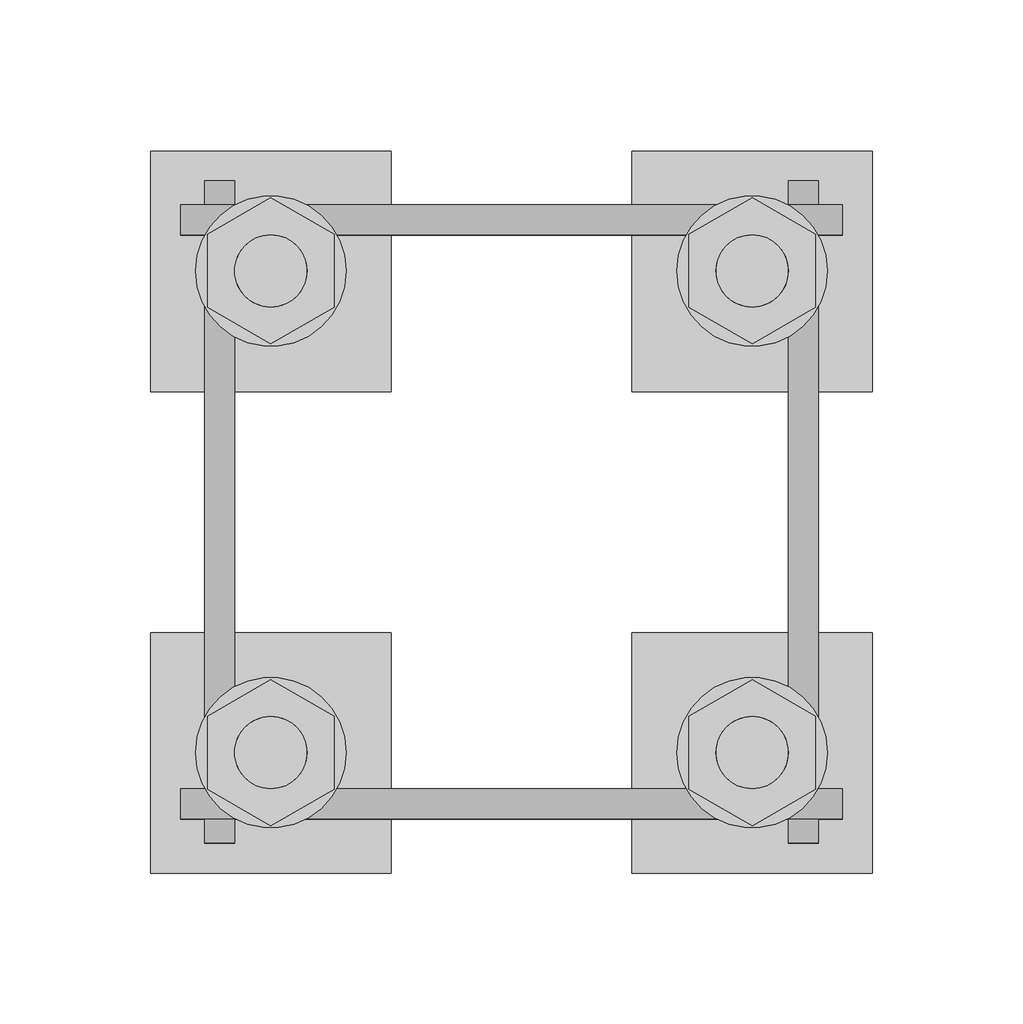
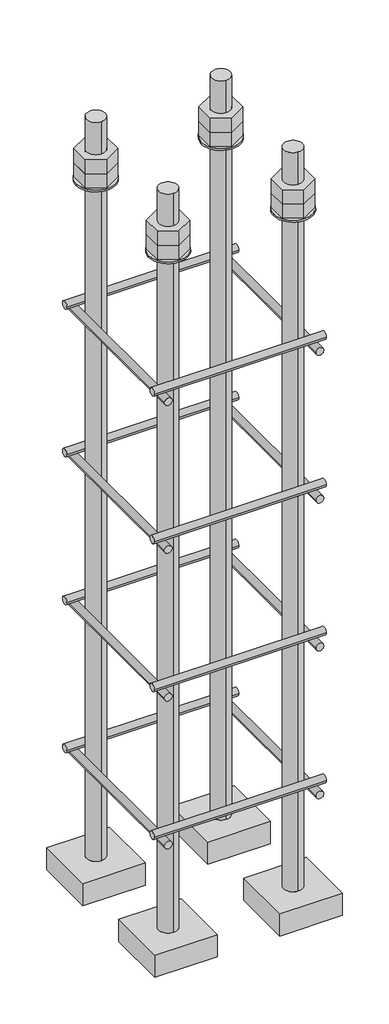
# One storey, part 21 of 66: 1 fastener.
"""IFC4 building model written with IfcOpenShell, lengths in millimetres."""

import ifcopenshell
import ifcopenshell.guid

model = None  # the IFC model being written
_history = None  # IfcOwnerHistory: only IFC2X3 demands one
_inside = {}  # id of a spatial element -> (the spatial element, [elements in it])
_under = {}  # id of a project, library or spatial element -> (it, [spatial elements below it])
_declared = {}  # id of a project -> (the project, [libraries it declares])
_typed = {}  # id of a type object -> (the type object, [elements of that type])
_made_of = {}  # id of a material, layer set ... -> (it, [elements and type objects made of it])


def new_model(schema):
    """Start an empty IFC model of exactly this schema.

    Asked for "IFC4X3", IfcOpenShell would pick the latest addendum, in which some entities
    have other attributes; the version numbers below select the first issue.
    IFC2X3 requires an IfcOwnerHistory on every rooted entity: one is made here for all.
    """
    global model, _history
    if schema == "IFC4X3":
        model = ifcopenshell.file(schema_version=(4, 3, 0, 0))
    else:
        model = ifcopenshell.file(schema=schema)
    _inside.clear()
    _under.clear()
    _declared.clear()
    _typed.clear()
    _made_of.clear()
    _history = None
    if model.schema == "IFC2X3":
        org = make("IfcOrganization", Name="unknown")
        user = make(
            "IfcPersonAndOrganization",
            ThePerson=make("IfcPerson", FamilyName="unknown"),
            TheOrganization=org,
        )
        app = make(
            "IfcApplication",
            ApplicationDeveloper=org,
            Version="unknown",
            ApplicationFullName="unknown",
            ApplicationIdentifier="unknown",
        )
        _history = make(
            "IfcOwnerHistory",
            OwningUser=user,
            OwningApplication=app,
            ChangeAction="ADDED",
            CreationDate=0,
        )
    return model


def make(cls, **values):
    """One entity of the class cls with the attributes given. An attribute that is None is left unset."""
    return model.create_entity(
        cls, **{name: value for name, value in values.items() if value is not None}
    )


def rooted(cls, **values):
    """An entity with a GlobalId (a new one), such as an element, a storey or a relation."""
    return make(cls, GlobalId=ifcopenshell.guid.new(), OwnerHistory=_history, **values)


def si_unit(unit_type, name, prefix=None):
    """IfcSIUnit, for example si_unit("LENGTHUNIT", "METRE", prefix="MILLI")."""
    return make("IfcSIUnit", UnitType=unit_type, Prefix=prefix, Name=name)


def assignment(units):
    """IfcUnitAssignment: the units of a project."""
    return None if units is None else make("IfcUnitAssignment", Units=units)


def point(xyz):
    """IfcCartesianPoint."""
    return None if xyz is None else make("IfcCartesianPoint", Coordinates=xyz)


def direction(xyz):
    """IfcDirection."""
    return None if xyz is None else make("IfcDirection", DirectionRatios=xyz)


def frame(location, z_axis=None, x_axis=None):
    """IfcAxis2Placement3D, a coordinate frame: its origin and axes. An axis left out is left unset."""
    return make(
        "IfcAxis2Placement3D",
        Location=point(location),
        Axis=direction(z_axis),
        RefDirection=direction(x_axis),
    )


def frame_2d(location, x_axis=None):
    """IfcAxis2Placement2D, a coordinate frame in the plane: its origin and x axis."""
    return make(
        "IfcAxis2Placement2D", Location=point(location), RefDirection=direction(x_axis)
    )


def origin():
    """The frame at (0, 0, 0) with its axes left unset."""
    return frame((0.0, 0.0, 0.0))


def place(relative_to, where):
    """IfcLocalPlacement: puts the frame where relative to a parent placement (None: the world)."""
    return make(
        "IfcLocalPlacement", PlacementRelTo=relative_to, RelativePlacement=where
    )


def context(
    kind, dimensions, precision=None, world=None, true_north=None, identifier=None
):
    """IfcGeometricRepresentationContext, for example the 3D "Model" context."""
    return make(
        "IfcGeometricRepresentationContext",
        ContextIdentifier=identifier,
        ContextType=kind,
        CoordinateSpaceDimension=dimensions,
        Precision=precision,
        WorldCoordinateSystem=world,
        TrueNorth=true_north,
    )


def project(units=None, contexts=None):
    """IfcProject with its units and contexts."""
    return rooted(
        "IfcProject",
        Name="project",
        RepresentationContexts=contexts,
        UnitsInContext=assignment(units),
    )


def spatial(cls, under=None, at=None, **own):
    """A site, building, storey or space (cls), placed at a placement, below another one or the project."""
    s = rooted(cls, ObjectPlacement=at, **own)
    if under is not None:
        _under.setdefault(under.id(), (under, []))[1].append(s)
    return s


def polyline(points):
    """IfcPolyline through the points."""
    return make("IfcPolyline", Points=[point(p) for p in points])


def circle_curve(where, radius):
    """IfcCircle in the frame where."""
    return make("IfcCircle", Position=where, Radius=radius)


def trimmed(basis, trim1, trim2, sense, master):
    """IfcTrimmedCurve: the piece of a basis curve between two trims."""
    return make(
        "IfcTrimmedCurve",
        BasisCurve=basis,
        Trim1=trim1,
        Trim2=trim2,
        SenseAgreement=sense,
        MasterRepresentation=master,
    )


def segment(curve, same_sense, transition):
    """IfcCompositeCurveSegment."""
    return make(
        "IfcCompositeCurveSegment",
        Transition=transition,
        SameSense=same_sense,
        ParentCurve=curve,
    )


def composite_curve(segments, self_intersect=None):
    """IfcCompositeCurve: segments joined end to end."""
    return make("IfcCompositeCurve", Segments=segments, SelfIntersect=self_intersect)


def outline(outer, holes=None, kind="AREA"):
    """IfcArbitraryClosedProfileDef: a profile drawn as a closed curve; with holes, ...WithVoids."""
    if holes is None:
        return make("IfcArbitraryClosedProfileDef", ProfileType=kind, OuterCurve=outer)
    return make(
        "IfcArbitraryProfileDefWithVoids",
        ProfileType=kind,
        OuterCurve=outer,
        InnerCurves=holes,
    )


def extrude(swept, where, along, depth):
    """IfcExtrudedAreaSolid: the profile swept, set in the frame where, extruded along a direction by depth."""
    return make(
        "IfcExtrudedAreaSolid",
        SweptArea=swept,
        Position=where,
        ExtrudedDirection=direction(along),
        Depth=depth,
    )


def shape(context_of_items, identifier, shape_type, items):
    """IfcShapeRepresentation: the items that make up one representation, for example the "Body"."""
    return make(
        "IfcShapeRepresentation",
        ContextOfItems=context_of_items,
        RepresentationIdentifier=identifier,
        RepresentationType=shape_type,
        Items=items,
    )


def made_of(thing, what):
    """Note that an element or type object is made of a material, layer set ...; save() writes the relation."""
    if what is not None:
        _made_of.setdefault(what.id(), (what, []))[1].append(thing)
    return thing


def element(
    cls,
    number,
    at=None,
    inside=None,
    cuts=None,
    type_object=None,
    material=None,
    context=None,
    identifier="Body",
    shape_type=None,
    held_by="IfcProductDefinitionShape",
    body=None,
    shapes=None,
    **own,
):
    """One element of the class cls, such as IfcWall. Its Tag is "e" and its number.

    at: its placement. inside: the storey or other place that contains it. cuts: it is an
    opening in that element (IfcRelVoidsElement). A single representation is given by context,
    identifier, shape_type and body (its items); several are given by shapes. held_by: the class
    of the entity that holds the representations. save() writes the other relations.
    """
    e = rooted(cls, Tag="e%d" % number, ObjectPlacement=at, **own)
    if body is not None:
        shapes = [shape(context, identifier, shape_type, body)]
    if shapes is not None:
        e.Representation = make(held_by, Representations=shapes)
    if inside is not None:
        _inside.setdefault(inside.id(), (inside, []))[1].append(e)
    if cuts is not None:
        rooted(
            "IfcRelVoidsElement", RelatingBuildingElement=cuts, RelatedOpeningElement=e
        )
    if type_object is not None:
        _typed.setdefault(type_object.id(), (type_object, []))[1].append(e)
    return made_of(e, material)


def aggregate(whole, parts):
    """IfcRelAggregates: a whole, such as a stair, and the parts it consists of."""
    return rooted("IfcRelAggregates", RelatingObject=whole, RelatedObjects=parts)


def save(model, path):
    """Write the relations noted so far, then the file.

    IfcRelAggregates (storeys below a building ...), IfcRelContainedInSpatialStructure (elements
    in a storey), IfcRelDefinesByType, IfcRelAssociatesMaterial and IfcRelDeclares: one each for
    every whole, place, type object, material and project.
    """
    for whole, parts in _under.values():
        aggregate(whole, parts)
    for where, things in _inside.values():
        rooted(
            "IfcRelContainedInSpatialStructure",
            RelatedElements=things,
            RelatingStructure=where,
        )
    for kind, things in _typed.values():
        rooted("IfcRelDefinesByType", RelatedObjects=things, RelatingType=kind)
    for what, things in _made_of.values():
        rooted("IfcRelAssociatesMaterial", RelatedObjects=things, RelatingMaterial=what)
    for by, libraries in _declared.values():
        rooted("IfcRelDeclares", RelatingContext=by, RelatedDefinitions=libraries)
    model.write(path)


def plane_surface(at):
    """IfcPlane: the flat surface through the origin of the frame at, square to its z axis."""
    return make("IfcPlane", Position=at)


def cylinder_surface(at, radius):
    """IfcCylindricalSurface: all points at the distance radius from the z axis of the frame at."""
    return make("IfcCylindricalSurface", Position=at, Radius=radius)


def advanced_brep(points, edges, surfaces, faces):
    """IfcAdvancedBrep: a solid bounded by faces that lie on surfaces and meet in shared edges.

    An edge is (start, end): straight between two places in points (the first is 0);
    or (start, end, curve); or (start, end, curve, False) where it runs against its curve.
    A face is (place in surfaces, loops), or (place, loops, False) where it looks against
    its surface's normal. A loop lists edges by number (the first is 1), with a minus sign
    where the edge is run from its end to its start. The first loop is the outer one.
    """
    corners = [point(p) for p in points]
    vertices = [make("IfcVertexPoint", VertexGeometry=c) for c in corners]
    made = []
    for start, end, *more in edges:
        made.append(
            make(
                "IfcEdgeCurve",
                EdgeStart=vertices[start],
                EdgeEnd=vertices[end],
                EdgeGeometry=more[0] if more else make("IfcPolyline", Points=[corners[start], corners[end]]),
                SameSense=more[1] if len(more) > 1 else True,
            )
        )
    hull = []
    for where, loops, *sense in faces:
        bounds = []
        for j, loop in enumerate(loops):
            ring = [make("IfcOrientedEdge", EdgeElement=made[abs(k) - 1], Orientation=k > 0) for k in loop]
            bounds.append(
                make(
                    "IfcFaceOuterBound" if j == 0 else "IfcFaceBound",
                    Bound=make("IfcEdgeLoop", EdgeList=ring),
                    Orientation=True,
                )
            )
        hull.append(make("IfcAdvancedFace", Bounds=bounds, FaceSurface=surfaces[where], SameSense=sense[0] if sense else True))
    return make("IfcAdvancedBrep", Outer=make("IfcClosedShell", CfsFaces=hull))


model = new_model("IFC4")

# Units and contexts
model_context = context("Model", 3, world=origin())
ifc_project = project(units=[si_unit("LENGTHUNIT", "METRE", prefix="MILLI")], contexts=[model_context])

# Site, building, storey
site = spatial("IfcSite", under=ifc_project)
building = spatial("IfcBuilding", under=site)
storey = spatial("IfcBuildingStorey", under=building, Elevation=9070.0)

# Fastener
placement = place(None, origin())
element("IfcFastener", 1, ObjectType="AU1 : AU-01", at=placement, inside=storey, context=model_context, shape_type="SolidModel", body=[
    extrude(outline(composite_curve([segment(trimmed(circle_curve(frame_2d((14703.0, 8395.0)), 5.0), [point((14698.0, 8395.0))], [point((14708.0, 8395.0))], False, "CARTESIAN"), True, "CONTINUOUS"), segment(trimmed(circle_curve(frame_2d((14703.0, 8395.0)), 5.0), [point((14708.0, 8395.0))], [point((14698.0, 8395.0))], False, "CARTESIAN"), True, "CONTINUOUS")], self_intersect=False)), frame((45890.0, 0.0, 0.0), z_axis=(1.0, 0.0, 0.0), x_axis=(0.0, 1.0, 0.0)), (0.0, 0.0, 1.0), 220.0),
    extrude(outline(composite_curve([segment(trimmed(circle_curve(frame_2d((14897.0, 8395.0)), 5.0), [point((14902.0, 8395.0))], [point((14892.0, 8395.0))], False, "CARTESIAN"), True, "CONTINUOUS"), segment(trimmed(circle_curve(frame_2d((14897.0, 8395.0)), 5.0), [point((14892.0, 8395.0))], [point((14902.0, 8395.0))], False, "CARTESIAN"), True, "CONTINUOUS")], self_intersect=False)), frame((45890.0, 0.0, 0.0), z_axis=(1.0, 0.0, 0.0), x_axis=(0.0, 1.0, 0.0)), (0.0, 0.0, 1.0), 220.0),
    extrude(outline(composite_curve([segment(trimmed(circle_curve(frame_2d((8385.0, 45903.0)), 5.0), [point((8385.0, 45898.0))], [point((8385.0, 45908.0))], False, "CARTESIAN"), True, "CONTINUOUS"), segment(trimmed(circle_curve(frame_2d((8385.0, 45903.0)), 5.0), [point((8385.0, 45908.0))], [point((8385.0, 45898.0))], False, "CARTESIAN"), True, "CONTINUOUS")], self_intersect=False)), frame((0.0, 14690.0, 0.0), z_axis=(0.0, 1.0, 0.0), x_axis=(0.0, 0.0, 1.0)), (0.0, 0.0, 1.0), 220.0),
    extrude(outline(composite_curve([segment(trimmed(circle_curve(frame_2d((8385.0, 46097.0)), 5.0), [point((8385.0, 46102.0))], [point((8385.0, 46092.0))], False, "CARTESIAN"), True, "CONTINUOUS"), segment(trimmed(circle_curve(frame_2d((8385.0, 46097.0)), 5.0), [point((8385.0, 46092.0))], [point((8385.0, 46102.0))], False, "CARTESIAN"), True, "CONTINUOUS")], self_intersect=False)), frame((0.0, 14690.0, 0.0), z_axis=(0.0, 1.0, 0.0), x_axis=(0.0, 0.0, 1.0)), (0.0, 0.0, 1.0), 220.0),
    extrude(outline(composite_curve([segment(trimmed(circle_curve(frame_2d((14703.0, 8595.0)), 5.0), [point((14698.0, 8595.0))], [point((14708.0, 8595.0))], False, "CARTESIAN"), True, "CONTINUOUS"), segment(trimmed(circle_curve(frame_2d((14703.0, 8595.0)), 5.0), [point((14708.0, 8595.0))], [point((14698.0, 8595.0))], False, "CARTESIAN"), True, "CONTINUOUS")], self_intersect=False)), frame((45890.0, 0.0, 0.0), z_axis=(1.0, 0.0, 0.0), x_axis=(0.0, 1.0, 0.0)), (0.0, 0.0, 1.0), 220.0),
    extrude(outline(composite_curve([segment(trimmed(circle_curve(frame_2d((14897.0, 8595.0)), 5.0), [point((14902.0, 8595.0))], [point((14892.0, 8595.0))], False, "CARTESIAN"), True, "CONTINUOUS"), segment(trimmed(circle_curve(frame_2d((14897.0, 8595.0)), 5.0), [point((14892.0, 8595.0))], [point((14902.0, 8595.0))], False, "CARTESIAN"), True, "CONTINUOUS")], self_intersect=False)), frame((45890.0, 0.0, 0.0), z_axis=(1.0, 0.0, 0.0), x_axis=(0.0, 1.0, 0.0)), (0.0, 0.0, 1.0), 220.0),
    extrude(outline(composite_curve([segment(trimmed(circle_curve(frame_2d((8585.0, 45903.0)), 5.0), [point((8585.0, 45898.0))], [point((8585.0, 45908.0))], False, "CARTESIAN"), True, "CONTINUOUS"), segment(trimmed(circle_curve(frame_2d((8585.0, 45903.0)), 5.0), [point((8585.0, 45908.0))], [point((8585.0, 45898.0))], False, "CARTESIAN"), True, "CONTINUOUS")], self_intersect=False)), frame((0.0, 14690.0, 0.0), z_axis=(0.0, 1.0, 0.0), x_axis=(0.0, 0.0, 1.0)), (0.0, 0.0, 1.0), 220.0),
    extrude(outline(composite_curve([segment(trimmed(circle_curve(frame_2d((8585.0, 46097.0)), 5.0), [point((8585.0, 46102.0))], [point((8585.0, 46092.0))], False, "CARTESIAN"), True, "CONTINUOUS"), segment(trimmed(circle_curve(frame_2d((8585.0, 46097.0)), 5.0), [point((8585.0, 46092.0))], [point((8585.0, 46102.0))], False, "CARTESIAN"), True, "CONTINUOUS")], self_intersect=False)), frame((0.0, 14690.0, 0.0), z_axis=(0.0, 1.0, 0.0), x_axis=(0.0, 0.0, 1.0)), (0.0, 0.0, 1.0), 220.0),
    extrude(outline(composite_curve([segment(trimmed(circle_curve(frame_2d((14703.0, 8795.0)), 5.0), [point((14698.0, 8795.0))], [point((14708.0, 8795.0))], False, "CARTESIAN"), True, "CONTINUOUS"), segment(trimmed(circle_curve(frame_2d((14703.0, 8795.0)), 5.0), [point((14708.0, 8795.0))], [point((14698.0, 8795.0))], False, "CARTESIAN"), True, "CONTINUOUS")], self_intersect=False)), frame((45890.0, 0.0, 0.0), z_axis=(1.0, 0.0, 0.0), x_axis=(0.0, 1.0, 0.0)), (0.0, 0.0, 1.0), 220.0),
    extrude(outline(composite_curve([segment(trimmed(circle_curve(frame_2d((14897.0, 8795.0)), 5.0), [point((14902.0, 8795.0))], [point((14892.0, 8795.0))], False, "CARTESIAN"), True, "CONTINUOUS"), segment(trimmed(circle_curve(frame_2d((14897.0, 8795.0)), 5.0), [point((14892.0, 8795.0))], [point((14902.0, 8795.0))], False, "CARTESIAN"), True, "CONTINUOUS")], self_intersect=False)), frame((45890.0, 0.0, 0.0), z_axis=(1.0, 0.0, 0.0), x_axis=(0.0, 1.0, 0.0)), (0.0, 0.0, 1.0), 220.0),
    extrude(outline(composite_curve([segment(trimmed(circle_curve(frame_2d((8785.0, 45903.0)), 5.0), [point((8785.0, 45898.0))], [point((8785.0, 45908.0))], False, "CARTESIAN"), True, "CONTINUOUS"), segment(trimmed(circle_curve(frame_2d((8785.0, 45903.0)), 5.0), [point((8785.0, 45908.0))], [point((8785.0, 45898.0))], False, "CARTESIAN"), True, "CONTINUOUS")], self_intersect=False)), frame((0.0, 14690.0, 0.0), z_axis=(0.0, 1.0, 0.0), x_axis=(0.0, 0.0, 1.0)), (0.0, 0.0, 1.0), 220.0),
    extrude(outline(composite_curve([segment(trimmed(circle_curve(frame_2d((8785.0, 46097.0)), 5.0), [point((8785.0, 46102.0))], [point((8785.0, 46092.0))], False, "CARTESIAN"), True, "CONTINUOUS"), segment(trimmed(circle_curve(frame_2d((8785.0, 46097.0)), 5.0), [point((8785.0, 46092.0))], [point((8785.0, 46102.0))], False, "CARTESIAN"), True, "CONTINUOUS")], self_intersect=False)), frame((0.0, 14690.0, 0.0), z_axis=(0.0, 1.0, 0.0), x_axis=(0.0, 0.0, 1.0)), (0.0, 0.0, 1.0), 220.0),
    extrude(outline(composite_curve([segment(trimmed(circle_curve(frame_2d((14703.0, 8995.0)), 5.0), [point((14698.0, 8995.0))], [point((14708.0, 8995.0))], False, "CARTESIAN"), True, "CONTINUOUS"), segment(trimmed(circle_curve(frame_2d((14703.0, 8995.0)), 5.0), [point((14708.0, 8995.0))], [point((14698.0, 8995.0))], False, "CARTESIAN"), True, "CONTINUOUS")], self_intersect=False)), frame((45890.0, 0.0, 0.0), z_axis=(1.0, 0.0, 0.0), x_axis=(0.0, 1.0, 0.0)), (0.0, 0.0, 1.0), 220.0),
    extrude(outline(composite_curve([segment(trimmed(circle_curve(frame_2d((14897.0, 8995.0)), 5.0), [point((14902.0, 8995.0))], [point((14892.0, 8995.0))], False, "CARTESIAN"), True, "CONTINUOUS"), segment(trimmed(circle_curve(frame_2d((14897.0, 8995.0)), 5.0), [point((14892.0, 8995.0))], [point((14902.0, 8995.0))], False, "CARTESIAN"), True, "CONTINUOUS")], self_intersect=False)), frame((45890.0, 0.0, 0.0), z_axis=(1.0, 0.0, 0.0), x_axis=(0.0, 1.0, 0.0)), (0.0, 0.0, 1.0), 220.0),
    extrude(outline(composite_curve([segment(trimmed(circle_curve(frame_2d((8985.0, 45903.0)), 5.0), [point((8985.0, 45898.0))], [point((8985.0, 45908.0))], False, "CARTESIAN"), True, "CONTINUOUS"), segment(trimmed(circle_curve(frame_2d((8985.0, 45903.0)), 5.0), [point((8985.0, 45908.0))], [point((8985.0, 45898.0))], False, "CARTESIAN"), True, "CONTINUOUS")], self_intersect=False)), frame((0.0, 14690.0, 0.0), z_axis=(0.0, 1.0, 0.0), x_axis=(0.0, 0.0, 1.0)), (0.0, 0.0, 1.0), 220.0),
    extrude(outline(composite_curve([segment(trimmed(circle_curve(frame_2d((8985.0, 46097.0)), 5.0), [point((8985.0, 46102.0))], [point((8985.0, 46092.0))], False, "CARTESIAN"), True, "CONTINUOUS"), segment(trimmed(circle_curve(frame_2d((8985.0, 46097.0)), 5.0), [point((8985.0, 46092.0))], [point((8985.0, 46102.0))], False, "CARTESIAN"), True, "CONTINUOUS")], self_intersect=False)), frame((0.0, 14690.0, 0.0), z_axis=(0.0, 1.0, 0.0), x_axis=(0.0, 0.0, 1.0)), (0.0, 0.0, 1.0), 220.0),
    advanced_brep(
    [(45960.0, 14920.0, 8250.0), (45880.0, 14920.0, 8250.0), (45880.0, 14840.0, 8250.0), (45960.0, 14840.0, 8250.0), (45920.0, 14868.0, 8250.0), (45920.0, 14892.0, 8250.0), (45960.0, 14920.0, 8220.0), (45960.0, 14840.0, 8220.0), (45880.0, 14840.0, 8220.0), (45880.0, 14920.0, 8220.0), (45920.0, 14892.0, 9250.0), (45920.0, 14868.0, 9250.0)],
    [
        (0, 1),
        (1, 2),
        (2, 3),
        (3, 0),
        (4, 5, circle_curve(frame((45920.0, 14880.0, 8250.0), z_axis=(0.0, 0.0, -1.0), x_axis=(0.0, -1.0, 0.0)), 12.0)),
        (5, 4, circle_curve(frame((45920.0, 14880.0, 8250.0), z_axis=(0.0, 0.0, -1.0), x_axis=(0.0, -1.0, 0.0)), 12.0)),
        (6, 7),
        (7, 8),
        (8, 9),
        (9, 6),
        (0, 6),
        (9, 1),
        (8, 2),
        (7, 3),
        (10, 11, circle_curve(frame((45920.0, 14880.0, 9250.0), z_axis=(0.0, 0.0, 1.0), x_axis=(0.0, -1.0, 0.0)), 12.0)),
        (11, 10, circle_curve(frame((45920.0, 14880.0, 9250.0), z_axis=(0.0, 0.0, 1.0), x_axis=(0.0, -1.0, 0.0)), 12.0)),
        (10, 5),
        (4, 11),
    ],
    [
        plane_surface(frame((45880.0, 14920.0, 8250.0), z_axis=(0.0, 0.0, 1.0), x_axis=(-1.0, 0.0, 0.0))),
        plane_surface(frame((45880.0, 14920.0, 8220.0), z_axis=(0.0, 0.0, -1.0), x_axis=(1.0, 0.0, 0.0))),
        plane_surface(frame((45960.0, 14920.0, 8250.0), z_axis=(0.0, 1.0, 0.0), x_axis=(0.0, 0.0, -1.0))),
        plane_surface(frame((45880.0, 14920.0, 8250.0), z_axis=(-1.0, 0.0, 0.0), x_axis=(0.0, 0.0, -1.0))),
        plane_surface(frame((45880.0, 14840.0, 8250.0), z_axis=(0.0, -1.0, 0.0), x_axis=(0.0, 0.0, -1.0))),
        plane_surface(frame((45960.0, 14840.0, 8250.0), z_axis=(1.0, 0.0, 0.0), x_axis=(0.0, 0.0, -1.0))),
        plane_surface(frame((45920.0, 14880.0, 9250.0), z_axis=(0.0, 0.0, 1.0), x_axis=(0.0, -1.0, 0.0))),
        cylinder_surface(frame((45920.0, 14880.0, 9250.0), z_axis=(0.0, 0.0, 1.0), x_axis=(0.0, -1.0, 0.0)), 12.0),
    ],
    [
        (0, [[1, 2, 3, 4], [5, 6]]),
        (1, [[7, 8, 9, 10]]),
        (2, [[-1, 11, -10, 12]]),
        (3, [[-2, -12, -9, 13]]),
        (4, [[-3, -13, -8, 14]]),
        (5, [[-4, -14, -7, -11]]),
        (6, [[15, 16]]),
        (7, [[-15, 17, -5, 18]]),
        (7, [[-16, -18, -6, -17]]),
    ],
),
    extrude(outline(composite_curve([segment(trimmed(circle_curve(frame_2d((45920.0, 14880.0)), 25.0), [point((45945.0, 14880.0))], [point((45895.0, 14880.0))], False, "CARTESIAN"), True, "CONTINUOUS"), segment(trimmed(circle_curve(frame_2d((45920.0, 14880.0)), 25.0), [point((45895.0, 14880.0))], [point((45945.0, 14880.0))], False, "CARTESIAN"), True, "CONTINUOUS")], self_intersect=False), holes=[composite_curve([segment(trimmed(circle_curve(frame_2d((45920.0, 14880.0)), 12.0), [point((45932.0, 14880.0))], [point((45908.0, 14880.0))], True, "CARTESIAN"), True, "CONTINUOUS"), segment(trimmed(circle_curve(frame_2d((45920.0, 14880.0)), 12.0), [point((45908.0, 14880.0))], [point((45932.0, 14880.0))], True, "CARTESIAN"), True, "CONTINUOUS")], self_intersect=False)]), frame((0.0, 0.0, 9165.0), z_axis=(0.0, 0.0, 1.0), x_axis=(1.0, 0.0, 0.0)), (0.0, 0.0, 1.0), 2.5),
    extrude(outline(polyline([(45920.0, 14904.2487113), (45941.0, 14892.1243557), (45941.0, 14867.8756443), (45920.0, 14855.7512887), (45899.0, 14867.8756443), (45899.0, 14892.1243557), (45920.0, 14904.2487113)]), holes=[composite_curve([segment(trimmed(circle_curve(frame_2d((45920.0, 14880.0)), 12.0), [point((45932.0, 14880.0))], [point((45908.0, 14880.0))], True, "CARTESIAN"), True, "CONTINUOUS"), segment(trimmed(circle_curve(frame_2d((45920.0, 14880.0)), 12.0), [point((45908.0, 14880.0))], [point((45932.0, 14880.0))], True, "CARTESIAN"), True, "CONTINUOUS")], self_intersect=False)]), frame((0.0, 0.0, 9187.0), z_axis=(0.0, 0.0, 1.0), x_axis=(1.0, 0.0, 0.0)), (0.0, 0.0, 1.0), 19.5),
    extrude(outline(polyline([(45920.0, 14904.2487113), (45941.0, 14892.1243557), (45941.0, 14867.8756443), (45920.0, 14855.7512887), (45899.0, 14867.8756443), (45899.0, 14892.1243557), (45920.0, 14904.2487113)]), holes=[composite_curve([segment(trimmed(circle_curve(frame_2d((45920.0, 14880.0)), 12.0), [point((45932.0, 14880.0))], [point((45908.0, 14880.0))], True, "CARTESIAN"), True, "CONTINUOUS"), segment(trimmed(circle_curve(frame_2d((45920.0, 14880.0)), 12.0), [point((45908.0, 14880.0))], [point((45932.0, 14880.0))], True, "CARTESIAN"), True, "CONTINUOUS")], self_intersect=False)]), frame((0.0, 0.0, 9167.5), z_axis=(0.0, 0.0, 1.0), x_axis=(1.0, 0.0, 0.0)), (0.0, 0.0, 1.0), 19.5),
    advanced_brep(
    [(46040.0, 14840.0, 8250.0), (46120.0, 14840.0, 8250.0), (46120.0, 14920.0, 8250.0), (46040.0, 14920.0, 8250.0), (46080.0, 14892.0, 8250.0), (46080.0, 14868.0, 8250.0), (46040.0, 14840.0, 8220.0), (46040.0, 14920.0, 8220.0), (46120.0, 14920.0, 8220.0), (46120.0, 14840.0, 8220.0), (46080.0, 14868.0, 9250.0), (46080.0, 14892.0, 9250.0)],
    [
        (0, 1),
        (1, 2),
        (2, 3),
        (3, 0),
        (4, 5, circle_curve(frame((46080.0, 14880.0, 8250.0), z_axis=(0.0, 0.0, -1.0), x_axis=(0.0, 1.0, 0.0)), 12.0)),
        (5, 4, circle_curve(frame((46080.0, 14880.0, 8250.0), z_axis=(0.0, 0.0, -1.0), x_axis=(0.0, 1.0, 0.0)), 12.0)),
        (6, 7),
        (7, 8),
        (8, 9),
        (9, 6),
        (0, 6),
        (9, 1),
        (8, 2),
        (7, 3),
        (10, 11, circle_curve(frame((46080.0, 14880.0, 9250.0), z_axis=(0.0, 0.0, 1.0), x_axis=(0.0, 1.0, 0.0)), 12.0)),
        (11, 10, circle_curve(frame((46080.0, 14880.0, 9250.0), z_axis=(0.0, 0.0, 1.0), x_axis=(0.0, 1.0, 0.0)), 12.0)),
        (10, 5),
        (4, 11),
    ],
    [
        plane_surface(frame((46120.0, 14840.0, 8250.0), z_axis=(0.0, 0.0, 1.0), x_axis=(1.0, 0.0, 0.0))),
        plane_surface(frame((46120.0, 14840.0, 8220.0), z_axis=(0.0, 0.0, -1.0), x_axis=(-1.0, 0.0, 0.0))),
        plane_surface(frame((46040.0, 14840.0, 8250.0), z_axis=(0.0, -1.0, 0.0), x_axis=(0.0, 0.0, -1.0))),
        plane_surface(frame((46120.0, 14840.0, 8250.0), z_axis=(1.0, 0.0, 0.0), x_axis=(0.0, 0.0, -1.0))),
        plane_surface(frame((46120.0, 14920.0, 8250.0), z_axis=(0.0, 1.0, 0.0), x_axis=(0.0, 0.0, -1.0))),
        plane_surface(frame((46040.0, 14920.0, 8250.0), z_axis=(-1.0, 0.0, 0.0), x_axis=(0.0, 0.0, -1.0))),
        plane_surface(frame((46080.0, 14880.0, 9250.0), z_axis=(0.0, 0.0, 1.0), x_axis=(0.0, 1.0, 0.0))),
        cylinder_surface(frame((46080.0, 14880.0, 9250.0), z_axis=(0.0, 0.0, 1.0), x_axis=(0.0, 1.0, 0.0)), 12.0),
    ],
    [
        (0, [[1, 2, 3, 4], [5, 6]]),
        (1, [[7, 8, 9, 10]]),
        (2, [[-1, 11, -10, 12]]),
        (3, [[-2, -12, -9, 13]]),
        (4, [[-3, -13, -8, 14]]),
        (5, [[-4, -14, -7, -11]]),
        (6, [[15, 16]]),
        (7, [[-15, 17, -5, 18]]),
        (7, [[-16, -18, -6, -17]]),
    ],
),
    extrude(outline(composite_curve([segment(trimmed(circle_curve(frame_2d((46080.0, 14880.0)), 25.0), [point((46055.0, 14880.0))], [point((46105.0, 14880.0))], False, "CARTESIAN"), True, "CONTINUOUS"), segment(trimmed(circle_curve(frame_2d((46080.0, 14880.0)), 25.0), [point((46105.0, 14880.0))], [point((46055.0, 14880.0))], False, "CARTESIAN"), True, "CONTINUOUS")], self_intersect=False), holes=[composite_curve([segment(trimmed(circle_curve(frame_2d((46080.0, 14880.0)), 12.0), [point((46068.0, 14880.0))], [point((46092.0, 14880.0))], True, "CARTESIAN"), True, "CONTINUOUS"), segment(trimmed(circle_curve(frame_2d((46080.0, 14880.0)), 12.0), [point((46092.0, 14880.0))], [point((46068.0, 14880.0))], True, "CARTESIAN"), True, "CONTINUOUS")], self_intersect=False)]), frame((0.0, 0.0, 9165.0), z_axis=(0.0, 0.0, 1.0), x_axis=(1.0, 0.0, 0.0)), (0.0, 0.0, 1.0), 2.5),
    extrude(outline(polyline([(46080.0, 14855.7512887), (46059.0, 14867.8756443), (46059.0, 14892.1243557), (46080.0, 14904.2487113), (46101.0, 14892.1243557), (46101.0, 14867.8756443), (46080.0, 14855.7512887)]), holes=[composite_curve([segment(trimmed(circle_curve(frame_2d((46080.0, 14880.0)), 12.0), [point((46068.0, 14880.0))], [point((46092.0, 14880.0))], True, "CARTESIAN"), True, "CONTINUOUS"), segment(trimmed(circle_curve(frame_2d((46080.0, 14880.0)), 12.0), [point((46092.0, 14880.0))], [point((46068.0, 14880.0))], True, "CARTESIAN"), True, "CONTINUOUS")], self_intersect=False)]), frame((0.0, 0.0, 9187.0), z_axis=(0.0, 0.0, 1.0), x_axis=(1.0, 0.0, 0.0)), (0.0, 0.0, 1.0), 19.5),
    extrude(outline(polyline([(46080.0, 14855.7512887), (46059.0, 14867.8756443), (46059.0, 14892.1243557), (46080.0, 14904.2487113), (46101.0, 14892.1243557), (46101.0, 14867.8756443), (46080.0, 14855.7512887)]), holes=[composite_curve([segment(trimmed(circle_curve(frame_2d((46080.0, 14880.0)), 12.0), [point((46068.0, 14880.0))], [point((46092.0, 14880.0))], True, "CARTESIAN"), True, "CONTINUOUS"), segment(trimmed(circle_curve(frame_2d((46080.0, 14880.0)), 12.0), [point((46092.0, 14880.0))], [point((46068.0, 14880.0))], True, "CARTESIAN"), True, "CONTINUOUS")], self_intersect=False)]), frame((0.0, 0.0, 9167.5), z_axis=(0.0, 0.0, 1.0), x_axis=(1.0, 0.0, 0.0)), (0.0, 0.0, 1.0), 19.5),
    advanced_brep(
    [(46040.0, 14680.0, 8250.0), (46120.0, 14680.0, 8250.0), (46120.0, 14760.0, 8250.0), (46040.0, 14760.0, 8250.0), (46080.0, 14732.0, 8250.0), (46080.0, 14708.0, 8250.0), (46040.0, 14680.0, 8220.0), (46040.0, 14760.0, 8220.0), (46120.0, 14760.0, 8220.0), (46120.0, 14680.0, 8220.0), (46080.0, 14708.0, 9250.0), (46080.0, 14732.0, 9250.0)],
    [
        (0, 1),
        (1, 2),
        (2, 3),
        (3, 0),
        (4, 5, circle_curve(frame((46080.0, 14720.0, 8250.0), z_axis=(0.0, 0.0, -1.0), x_axis=(0.0, 1.0, 0.0)), 12.0)),
        (5, 4, circle_curve(frame((46080.0, 14720.0, 8250.0), z_axis=(0.0, 0.0, -1.0), x_axis=(0.0, 1.0, 0.0)), 12.0)),
        (6, 7),
        (7, 8),
        (8, 9),
        (9, 6),
        (0, 6),
        (9, 1),
        (8, 2),
        (7, 3),
        (10, 11, circle_curve(frame((46080.0, 14720.0, 9250.0), z_axis=(0.0, 0.0, 1.0), x_axis=(0.0, 1.0, 0.0)), 12.0)),
        (11, 10, circle_curve(frame((46080.0, 14720.0, 9250.0), z_axis=(0.0, 0.0, 1.0), x_axis=(0.0, 1.0, 0.0)), 12.0)),
        (10, 5),
        (4, 11),
    ],
    [
        plane_surface(frame((46120.0, 14680.0, 8250.0), z_axis=(0.0, 0.0, 1.0), x_axis=(1.0, 0.0, 0.0))),
        plane_surface(frame((46120.0, 14680.0, 8220.0), z_axis=(0.0, 0.0, -1.0), x_axis=(-1.0, 0.0, 0.0))),
        plane_surface(frame((46040.0, 14680.0, 8250.0), z_axis=(0.0, -1.0, 0.0), x_axis=(0.0, 0.0, -1.0))),
        plane_surface(frame((46120.0, 14680.0, 8250.0), z_axis=(1.0, 0.0, 0.0), x_axis=(0.0, 0.0, -1.0))),
        plane_surface(frame((46120.0, 14760.0, 8250.0), z_axis=(0.0, 1.0, 0.0), x_axis=(0.0, 0.0, -1.0))),
        plane_surface(frame((46040.0, 14760.0, 8250.0), z_axis=(-1.0, 0.0, 0.0), x_axis=(0.0, 0.0, -1.0))),
        plane_surface(frame((46080.0, 14720.0, 9250.0), z_axis=(0.0, 0.0, 1.0), x_axis=(0.0, 1.0, 0.0))),
        cylinder_surface(frame((46080.0, 14720.0, 9250.0), z_axis=(0.0, 0.0, 1.0), x_axis=(0.0, 1.0, 0.0)), 12.0),
    ],
    [
        (0, [[1, 2, 3, 4], [5, 6]]),
        (1, [[7, 8, 9, 10]]),
        (2, [[-1, 11, -10, 12]]),
        (3, [[-2, -12, -9, 13]]),
        (4, [[-3, -13, -8, 14]]),
        (5, [[-4, -14, -7, -11]]),
        (6, [[15, 16]]),
        (7, [[-15, 17, -5, 18]]),
        (7, [[-16, -18, -6, -17]]),
    ],
),
    extrude(outline(composite_curve([segment(trimmed(circle_curve(frame_2d((46080.0, 14720.0)), 25.0), [point((46055.0, 14720.0))], [point((46105.0, 14720.0))], False, "CARTESIAN"), True, "CONTINUOUS"), segment(trimmed(circle_curve(frame_2d((46080.0, 14720.0)), 25.0), [point((46105.0, 14720.0))], [point((46055.0, 14720.0))], False, "CARTESIAN"), True, "CONTINUOUS")], self_intersect=False), holes=[composite_curve([segment(trimmed(circle_curve(frame_2d((46080.0, 14720.0)), 12.0), [point((46068.0, 14720.0))], [point((46092.0, 14720.0))], True, "CARTESIAN"), True, "CONTINUOUS"), segment(trimmed(circle_curve(frame_2d((46080.0, 14720.0)), 12.0), [point((46092.0, 14720.0))], [point((46068.0, 14720.0))], True, "CARTESIAN"), True, "CONTINUOUS")], self_intersect=False)]), frame((0.0, 0.0, 9165.0), z_axis=(0.0, 0.0, 1.0), x_axis=(1.0, 0.0, 0.0)), (0.0, 0.0, 1.0), 2.5),
    extrude(outline(polyline([(46080.0, 14695.7512887), (46059.0, 14707.8756443), (46059.0, 14732.1243557), (46080.0, 14744.2487113), (46101.0, 14732.1243557), (46101.0, 14707.8756443), (46080.0, 14695.7512887)]), holes=[composite_curve([segment(trimmed(circle_curve(frame_2d((46080.0, 14720.0)), 12.0), [point((46068.0, 14720.0))], [point((46092.0, 14720.0))], True, "CARTESIAN"), True, "CONTINUOUS"), segment(trimmed(circle_curve(frame_2d((46080.0, 14720.0)), 12.0), [point((46092.0, 14720.0))], [point((46068.0, 14720.0))], True, "CARTESIAN"), True, "CONTINUOUS")], self_intersect=False)]), frame((0.0, 0.0, 9187.0), z_axis=(0.0, 0.0, 1.0), x_axis=(1.0, 0.0, 0.0)), (0.0, 0.0, 1.0), 19.5),
    extrude(outline(polyline([(46080.0, 14695.7512887), (46059.0, 14707.8756443), (46059.0, 14732.1243557), (46080.0, 14744.2487113), (46101.0, 14732.1243557), (46101.0, 14707.8756443), (46080.0, 14695.7512887)]), holes=[composite_curve([segment(trimmed(circle_curve(frame_2d((46080.0, 14720.0)), 12.0), [point((46068.0, 14720.0))], [point((46092.0, 14720.0))], True, "CARTESIAN"), True, "CONTINUOUS"), segment(trimmed(circle_curve(frame_2d((46080.0, 14720.0)), 12.0), [point((46092.0, 14720.0))], [point((46068.0, 14720.0))], True, "CARTESIAN"), True, "CONTINUOUS")], self_intersect=False)]), frame((0.0, 0.0, 9167.5), z_axis=(0.0, 0.0, 1.0), x_axis=(1.0, 0.0, 0.0)), (0.0, 0.0, 1.0), 19.5),
    advanced_brep(
    [(45960.0, 14760.0, 8250.0), (45880.0, 14760.0, 8250.0), (45880.0, 14680.0, 8250.0), (45960.0, 14680.0, 8250.0), (45920.0, 14708.0, 8250.0), (45920.0, 14732.0, 8250.0), (45960.0, 14760.0, 8220.0), (45960.0, 14680.0, 8220.0), (45880.0, 14680.0, 8220.0), (45880.0, 14760.0, 8220.0), (45920.0, 14732.0, 9250.0), (45920.0, 14708.0, 9250.0)],
    [
        (0, 1),
        (1, 2),
        (2, 3),
        (3, 0),
        (4, 5, circle_curve(frame((45920.0, 14720.0, 8250.0), z_axis=(0.0, 0.0, -1.0), x_axis=(0.0, -1.0, 0.0)), 12.0)),
        (5, 4, circle_curve(frame((45920.0, 14720.0, 8250.0), z_axis=(0.0, 0.0, -1.0), x_axis=(0.0, -1.0, 0.0)), 12.0)),
        (6, 7),
        (7, 8),
        (8, 9),
        (9, 6),
        (0, 6),
        (9, 1),
        (8, 2),
        (7, 3),
        (10, 11, circle_curve(frame((45920.0, 14720.0, 9250.0), z_axis=(0.0, 0.0, 1.0), x_axis=(0.0, -1.0, 0.0)), 12.0)),
        (11, 10, circle_curve(frame((45920.0, 14720.0, 9250.0), z_axis=(0.0, 0.0, 1.0), x_axis=(0.0, -1.0, 0.0)), 12.0)),
        (10, 5),
        (4, 11),
    ],
    [
        plane_surface(frame((45880.0, 14760.0, 8250.0), z_axis=(0.0, 0.0, 1.0), x_axis=(-1.0, 0.0, 0.0))),
        plane_surface(frame((45880.0, 14760.0, 8220.0), z_axis=(0.0, 0.0, -1.0), x_axis=(1.0, 0.0, 0.0))),
        plane_surface(frame((45960.0, 14760.0, 8250.0), z_axis=(0.0, 1.0, 0.0), x_axis=(0.0, 0.0, -1.0))),
        plane_surface(frame((45880.0, 14760.0, 8250.0), z_axis=(-1.0, 0.0, 0.0), x_axis=(0.0, 0.0, -1.0))),
        plane_surface(frame((45880.0, 14680.0, 8250.0), z_axis=(0.0, -1.0, 0.0), x_axis=(0.0, 0.0, -1.0))),
        plane_surface(frame((45960.0, 14680.0, 8250.0), z_axis=(1.0, 0.0, 0.0), x_axis=(0.0, 0.0, -1.0))),
        plane_surface(frame((45920.0, 14720.0, 9250.0), z_axis=(0.0, 0.0, 1.0), x_axis=(0.0, -1.0, 0.0))),
        cylinder_surface(frame((45920.0, 14720.0, 9250.0), z_axis=(0.0, 0.0, 1.0), x_axis=(0.0, -1.0, 0.0)), 12.0),
    ],
    [
        (0, [[1, 2, 3, 4], [5, 6]]),
        (1, [[7, 8, 9, 10]]),
        (2, [[-1, 11, -10, 12]]),
        (3, [[-2, -12, -9, 13]]),
        (4, [[-3, -13, -8, 14]]),
        (5, [[-4, -14, -7, -11]]),
        (6, [[15, 16]]),
        (7, [[-15, 17, -5, 18]]),
        (7, [[-16, -18, -6, -17]]),
    ],
),
    extrude(outline(composite_curve([segment(trimmed(circle_curve(frame_2d((45920.0, 14720.0)), 25.0), [point((45945.0, 14720.0))], [point((45895.0, 14720.0))], False, "CARTESIAN"), True, "CONTINUOUS"), segment(trimmed(circle_curve(frame_2d((45920.0, 14720.0)), 25.0), [point((45895.0, 14720.0))], [point((45945.0, 14720.0))], False, "CARTESIAN"), True, "CONTINUOUS")], self_intersect=False), holes=[composite_curve([segment(trimmed(circle_curve(frame_2d((45920.0, 14720.0)), 12.0), [point((45932.0, 14720.0))], [point((45908.0, 14720.0))], True, "CARTESIAN"), True, "CONTINUOUS"), segment(trimmed(circle_curve(frame_2d((45920.0, 14720.0)), 12.0), [point((45908.0, 14720.0))], [point((45932.0, 14720.0))], True, "CARTESIAN"), True, "CONTINUOUS")], self_intersect=False)]), frame((0.0, 0.0, 9165.0), z_axis=(0.0, 0.0, 1.0), x_axis=(1.0, 0.0, 0.0)), (0.0, 0.0, 1.0), 2.5),
    extrude(outline(polyline([(45920.0, 14744.2487113), (45941.0, 14732.1243557), (45941.0, 14707.8756443), (45920.0, 14695.7512887), (45899.0, 14707.8756443), (45899.0, 14732.1243557), (45920.0, 14744.2487113)]), holes=[composite_curve([segment(trimmed(circle_curve(frame_2d((45920.0, 14720.0)), 12.0), [point((45932.0, 14720.0))], [point((45908.0, 14720.0))], True, "CARTESIAN"), True, "CONTINUOUS"), segment(trimmed(circle_curve(frame_2d((45920.0, 14720.0)), 12.0), [point((45908.0, 14720.0))], [point((45932.0, 14720.0))], True, "CARTESIAN"), True, "CONTINUOUS")], self_intersect=False)]), frame((0.0, 0.0, 9187.0), z_axis=(0.0, 0.0, 1.0), x_axis=(1.0, 0.0, 0.0)), (0.0, 0.0, 1.0), 19.5),
    extrude(outline(polyline([(45920.0, 14744.2487113), (45941.0, 14732.1243557), (45941.0, 14707.8756443), (45920.0, 14695.7512887), (45899.0, 14707.8756443), (45899.0, 14732.1243557), (45920.0, 14744.2487113)]), holes=[composite_curve([segment(trimmed(circle_curve(frame_2d((45920.0, 14720.0)), 12.0), [point((45932.0, 14720.0))], [point((45908.0, 14720.0))], True, "CARTESIAN"), True, "CONTINUOUS"), segment(trimmed(circle_curve(frame_2d((45920.0, 14720.0)), 12.0), [point((45908.0, 14720.0))], [point((45932.0, 14720.0))], True, "CARTESIAN"), True, "CONTINUOUS")], self_intersect=False)]), frame((0.0, 0.0, 9167.5), z_axis=(0.0, 0.0, 1.0), x_axis=(1.0, 0.0, 0.0)), (0.0, 0.0, 1.0), 19.5),
])

save(model, "model.ifc")
